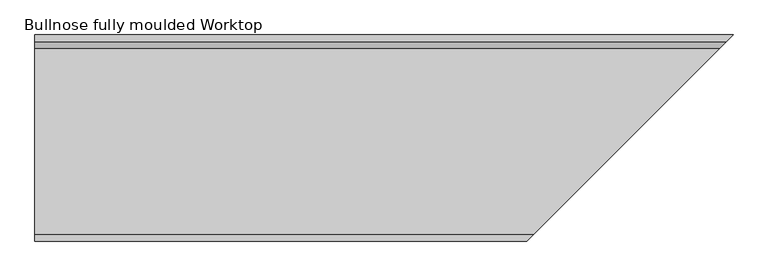
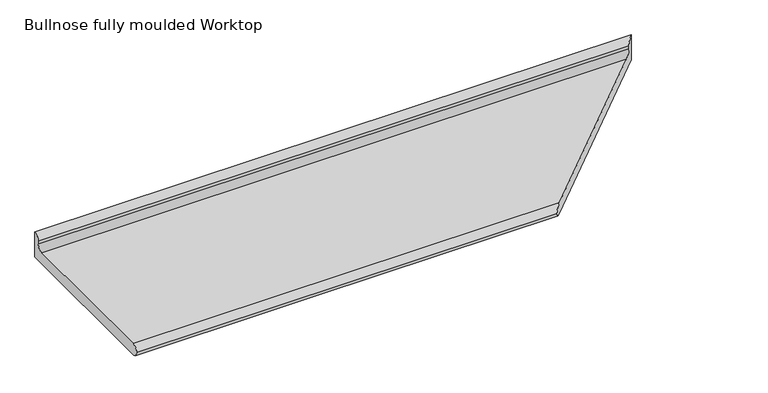
"""IFC4 building model written with IfcOpenShell, lengths in millimetres: furniture geometry, Bullnose fully moulded Worktop."""

from ifc_helpers import new_model, si_unit, frame, origin, place, context, project, spatial, polyline, circle_curve, ellipse_curve, source, transform, mapped, element, save
from ifc_brep_helpers import plane_surface, cylinder_surface, revolved_surface, advanced_brep


def bullnose_fully_moulded_worktop_f05e43d3(model_context):
    return source(origin(), model_context, "Body", "AdvancedBrep", [
        advanced_brep(
        [(44.7003264, -605.0, 900.0), (44.7003264, -585.0, 920.0), (44.7003264, -585.0, 930.0), (44.7003264, -565.0, 950.0), (44.7003264, -565.0, 860.0), (44.7003264, -1145.0123633, 860.0), (44.7003264, -1165.0, 880.7031198), (44.7003264, -1145.0123633, 900.0), (1496.6879632, -1145.0123633, 900.0), (2036.7003264, -605.0, 900.0), (1476.7003264, -1165.0, 880.7031198), (2076.7003264, -565.0, 860.0), (1496.6879632, -1145.0123633, 860.0), (2076.7003264, -565.0, 950.0), (2056.7003264, -585.0, 930.0), (2056.7003264, -585.0, 920.0)],
        [
            (0, 1, circle_curve(frame((44.7003264, -605.0, 920.0), z_axis=(1.0, 0.0, 0.0), x_axis=(0.0, 1.0, 0.0)), 20.0)),
            (1, 2),
            (2, 3, circle_curve(frame((44.7003264, -565.0, 930.0), z_axis=(-1.0, 0.0, 0.0), x_axis=(0.0, 1.0, 0.0)), 20.0)),
            (3, 4),
            (4, 5),
            (5, 6, circle_curve(frame((44.7003264, -1145.0123633, 880.0), z_axis=(-1.0, 0.0, 0.0), x_axis=(0.0, 1.0, 0.0)), 20.0)),
            (6, 7, circle_curve(frame((44.7003264, -1145.0123633, 880.0), z_axis=(-1.0, 0.0, 0.0), x_axis=(0.0, 1.0, 0.0)), 20.0)),
            (7, 0),
            (7, 8),
            (8, 9),
            (9, 0),
            (6, 10),
            (10, 8, ellipse_curve(frame((1496.6879632, -1145.0123633, 880.0), z_axis=(-0.707106781186547, 0.7071067811865482, 0.0), x_axis=(0.7071067811865478, 0.707106781186547, 0.0)), 28.2842712, 20.0)),
            (4, 11),
            (11, 12),
            (12, 5),
            (3, 13),
            (13, 11),
            (12, 10, ellipse_curve(frame((1496.6879632, -1145.0123633, 880.0), z_axis=(-0.707106781186547, 0.7071067811865482, 0.0), x_axis=(0.7071067811865478, 0.707106781186547, 0.0)), 28.2842712, 20.0)),
            (2, 14),
            (14, 13, ellipse_curve(frame((2076.7003264, -565.0, 930.0), z_axis=(-0.707106781186547, 0.7071067811865482, 0.0), x_axis=(0.7071067811865478, 0.707106781186547, 0.0)), 28.2842712, 20.0)),
            (1, 15),
            (15, 14),
            (9, 15, ellipse_curve(frame((2036.7003264, -605.0, 920.0), z_axis=(0.707106781186547, -0.7071067811865482, 0.0), x_axis=(-0.7071067811865478, -0.707106781186547, 0.0)), 28.2842712, 20.0)),
        ],
        [
            plane_surface(frame((44.7003264, -1145.0123633, 900.0), z_axis=(-1.0, 0.0, 0.0), x_axis=(0.0, 1.0, 0.0))),
            plane_surface(frame((2076.7003264, -605.0, 900.0), z_axis=(0.0, 0.0, 1.0), x_axis=(-1.0, 0.0, 0.0))),
            cylinder_surface(frame((44.7003264, -1145.0123633, 880.0), z_axis=(1.0, 0.0, 0.0), x_axis=(0.0, 1.0, 0.0)), 20.0),
            plane_surface(frame((2076.7003264, -1145.0123633, 860.0), z_axis=(0.0, 0.0, -1.0), x_axis=(-1.0, 0.0, 0.0))),
            plane_surface(frame((2076.7003264, -565.0, 860.0), z_axis=(0.0, 1.0, 0.0), x_axis=(-1.0, 0.0, 0.0))),
            cylinder_surface(frame((44.7003264, -565.0, 930.0), z_axis=(1.0, 0.0, 0.0), x_axis=(0.0, 1.0, 0.0)), 20.0),
            plane_surface(frame((2076.7003264, -585.0, 930.0), z_axis=(0.0, -1.0, 0.0), x_axis=(-1.0, 0.0, 0.0))),
            revolved_surface(polyline([(44.7003264, -585.0, 920.0), (2056.7003264, -585.0, 920.0)]), (44.7003264, -605.0, 920.0), (-1.0, 0.0, 0.0)),
            plane_surface(frame((2076.7003264, -565.0, 1003.1474494), z_axis=(0.707106781186547, -0.7071067811865482, 0.0), x_axis=(0.0, 0.0, -1.0))),
        ],
        [
            (0, [[1, 2, 3, 4, 5, 6, 7, 8]]),
            (1, [[-8, 9, 10, 11]]),
            (2, [[-7, 12, 13, -9]]),
            (3, [[-5, 14, 15, 16]]),
            (4, [[-4, 17, 18, -14]]),
            (2, [[-6, -16, 19, -12]]),
            (5, [[-3, 20, 21, -17]]),
            (6, [[-2, 22, 23, -20]]),
            (7, [[-1, -11, 24, -22]]),
            (8, [[-10, -13, -19, -15, -18, -21, -23, -24]]),
        ],
    ),
    ])


if __name__ == "__main__":
    model = new_model("IFC4")
    model_context = context("Model", 3, world=origin())
    ifc_project = project(units=[si_unit("LENGTHUNIT", "METRE", prefix="MILLI")], contexts=[model_context])
    site = spatial("IfcSite", under=ifc_project)
    building = spatial("IfcBuilding", under=site)
    placement = place(None, origin())
    bullnose_fully_moulded_worktop_shape = bullnose_fully_moulded_worktop_f05e43d3(model_context)
    element("IfcFurniture", 1, ObjectType="Bullnose fully moulded Worktop", at=placement, inside=building, context=model_context, shape_type="MappedRepresentation", body=[
        mapped(bullnose_fully_moulded_worktop_shape, transform((0.0, 0.0, 0.0), x_axis=(1.0, 0.0, 0.0), y_axis=(0.0, 1.0, 0.0), z_axis=(0.0, 0.0, 1.0))),
    ])
    save(model, "model.ifc")
